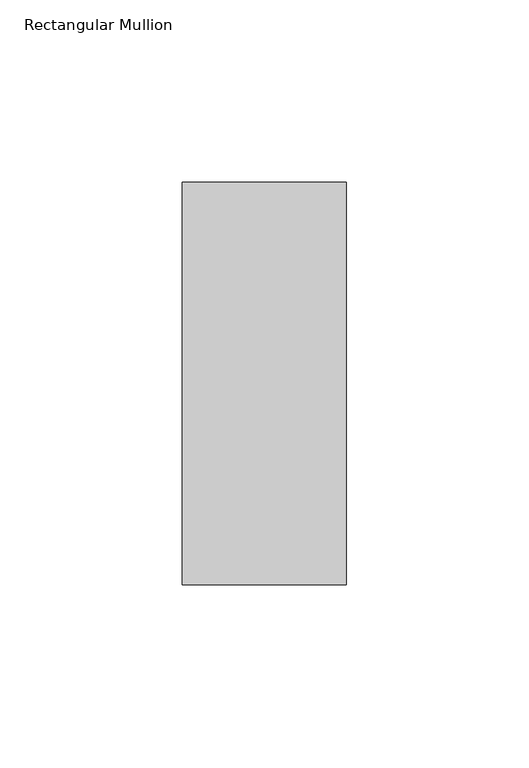
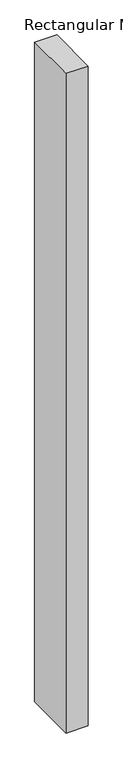
"""IFC4 building model written with IfcOpenShell, lengths in millimetres: member geometry, Rectangular Mullion."""

from ifc_helpers import new_model, si_unit, frame, origin, place, context, project, spatial, polyline, outline, extrude, source, transform, mapped, element, save


def rectangular_mullion_d2031d49(model_context):
    return source(origin(), model_context, "Body", "SweptSolid", [
        extrude(outline(polyline([(-45.0, 70.7), (0.0, 70.7), (0.0, -39.7), (-45.0, -39.7), (-45.0, 70.7)])), frame((0.0, 0.0, -1419.3589259), z_axis=(0.0, 0.0, 1.0), x_axis=(1.0, 0.0, 0.0)), (0.0, 0.0, 1.0), 1419.3589259),
    ])


if __name__ == "__main__":
    model = new_model("IFC4")
    model_context = context("Model", 3, world=origin())
    ifc_project = project(units=[si_unit("LENGTHUNIT", "METRE", prefix="MILLI")], contexts=[model_context])
    site = spatial("IfcSite", under=ifc_project)
    building = spatial("IfcBuilding", under=site)
    placement = place(None, origin())
    rectangular_mullion_shape = rectangular_mullion_d2031d49(model_context)
    element("IfcMember", 1, ObjectType="Rectangular Mullion", at=placement, inside=building, context=model_context, shape_type="MappedRepresentation", body=[
        mapped(rectangular_mullion_shape, transform((0.0, 0.0, 0.0), x_axis=(1.0, 0.0, 0.0), y_axis=(0.0, 1.0, 0.0), z_axis=(0.0, 0.0, 1.0))),
    ])
    save(model, "model.ifc")
